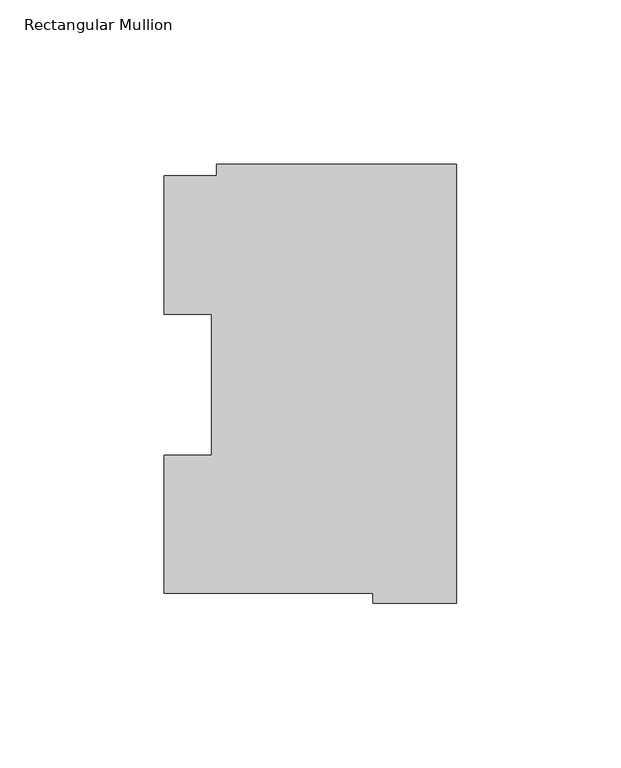
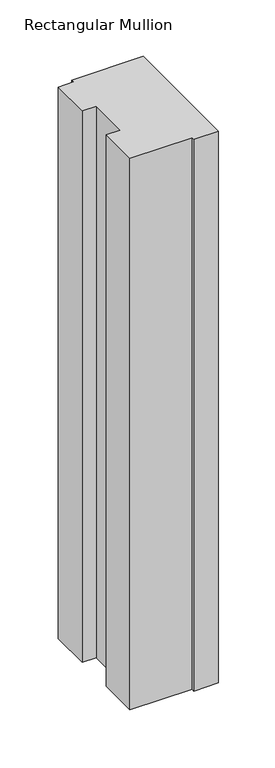
"""IFC4 building model written with IfcOpenShell, lengths in millimetres: member geometry, Rectangular Mullion."""

from ifc_helpers import new_model, si_unit, frame, origin, place, context, project, spatial, polyline, outline, extrude, source, transform, mapped, element, save


def rectangular_mullion_31427934(model_context):
    return source(origin(), model_context, "Body", "SweptSolid", [
        extrude(outline(polyline([(-88.8772701, 127.006348), (-73.025, 127.006348), (-73.025, 130.4246837), (0.0, 130.4246837), (0.0, -2.939538), (-25.3772701, -2.939538), (-25.3772701, 0.0063465), (-88.8772701, 0.0063465), (-88.8772701, 42.0814491), (-74.4684922, 42.0814491), (-74.4684922, 84.93125), (-88.8772701, 84.93125), (-88.8772701, 127.006348)])), frame((0.0, 0.0, -596.9063827), z_axis=(0.0, 0.0, 1.0), x_axis=(1.0, 0.0, 0.0)), (0.0, 0.0, 1.0), 596.9063827),
    ])


if __name__ == "__main__":
    model = new_model("IFC4")
    model_context = context("Model", 3, world=origin())
    ifc_project = project(units=[si_unit("LENGTHUNIT", "METRE", prefix="MILLI")], contexts=[model_context])
    site = spatial("IfcSite", under=ifc_project)
    building = spatial("IfcBuilding", under=site)
    placement = place(None, origin())
    rectangular_mullion_shape = rectangular_mullion_31427934(model_context)
    element("IfcMember", 1, ObjectType="Rectangular Mullion", at=placement, inside=building, context=model_context, shape_type="MappedRepresentation", body=[
        mapped(rectangular_mullion_shape, transform((0.0, 0.0, 0.0), x_axis=(1.0, 0.0, 0.0), y_axis=(0.0, 1.0, 0.0), z_axis=(0.0, 0.0, 1.0))),
    ])
    save(model, "model.ifc")
